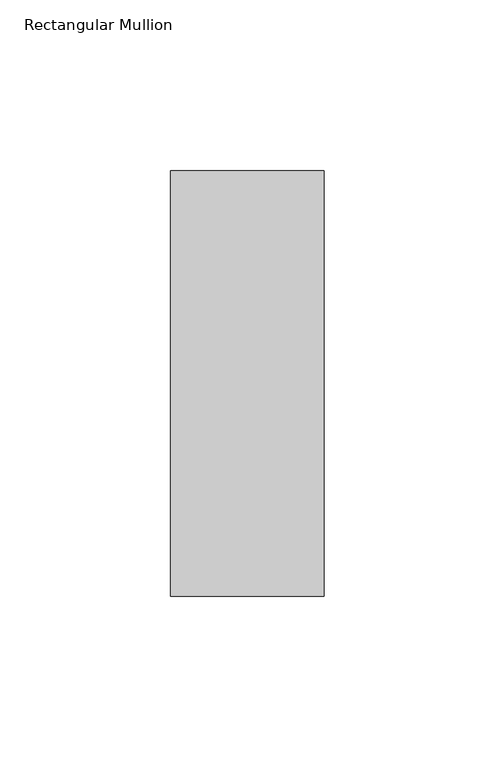
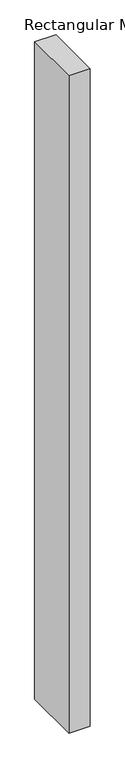
"""IFC4 building model written with IfcOpenShell, lengths in millimetres: member geometry, Rectangular Mullion."""

from ifc_helpers import new_model, si_unit, frame, origin, place, context, project, spatial, polyline, outline, extrude, source, transform, mapped, element, save


def rectangular_mullion_ba7746b6(model_context):
    return source(origin(), model_context, "Body", "SweptSolid", [
        extrude(outline(polyline([(-45.0, 77.84375), (0.0, 77.84375), (0.0, -46.84375), (-45.0, -46.84375), (-45.0, 77.84375)])), frame((0.0, 0.0, -1462.8794068), z_axis=(0.0, 0.0, 1.0), x_axis=(1.0, 0.0, 0.0)), (0.0, 0.0, 1.0), 1462.8794068),
    ])


if __name__ == "__main__":
    model = new_model("IFC4")
    model_context = context("Model", 3, world=origin())
    ifc_project = project(units=[si_unit("LENGTHUNIT", "METRE", prefix="MILLI")], contexts=[model_context])
    site = spatial("IfcSite", under=ifc_project)
    building = spatial("IfcBuilding", under=site)
    placement = place(None, origin())
    rectangular_mullion_shape = rectangular_mullion_ba7746b6(model_context)
    element("IfcMember", 1, ObjectType="Rectangular Mullion", at=placement, inside=building, context=model_context, shape_type="MappedRepresentation", body=[
        mapped(rectangular_mullion_shape, transform((0.0, 0.0, 0.0), x_axis=(1.0, 0.0, 0.0), y_axis=(0.0, 1.0, 0.0), z_axis=(0.0, 0.0, 1.0))),
    ])
    save(model, "model.ifc")
